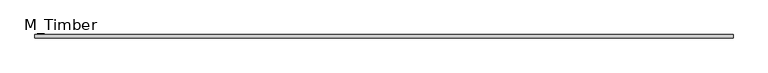
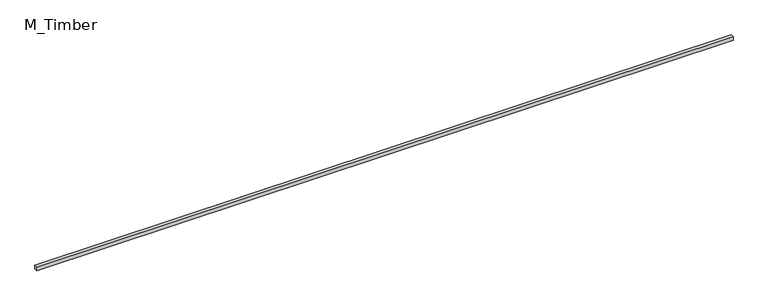
"""IFC4 building model written with IfcOpenShell, lengths in millimetres: beam geometry, M_Timber."""

from ifc_helpers import new_model, si_unit, frame, origin, place, context, project, spatial, polyline, outline, extrude, source, transform, mapped, element, save


def m_timber_3ae523d6(model_context):
    return source(origin(), model_context, "Body", "SweptSolid", [
        extrude(outline(polyline([(4053.9614504, 20.0), (4053.9614504, -20.0), (-4053.9614504, -20.0), (-4053.9614504, 20.0), (4053.9614504, 20.0)])), frame((0.0, 0.0, -20.0), z_axis=(0.0, 0.0, 1.0), x_axis=(1.0, 0.0, 0.0)), (0.0, 0.0, 1.0), 40.0),
    ])


if __name__ == "__main__":
    model = new_model("IFC4")
    model_context = context("Model", 3, world=origin())
    ifc_project = project(units=[si_unit("LENGTHUNIT", "METRE", prefix="MILLI")], contexts=[model_context])
    site = spatial("IfcSite", under=ifc_project)
    building = spatial("IfcBuilding", under=site)
    placement = place(None, origin())
    m_timber_shape = m_timber_3ae523d6(model_context)
    element("IfcBeam", 1, ObjectType="M_Timber", at=placement, inside=building, context=model_context, shape_type="MappedRepresentation", body=[
        mapped(m_timber_shape, transform((0.0, 0.0, 0.0), x_axis=(1.0, 0.0, 0.0), y_axis=(0.0, 1.0, 0.0), z_axis=(0.0, 0.0, 1.0))),
    ])
    save(model, "model.ifc")
